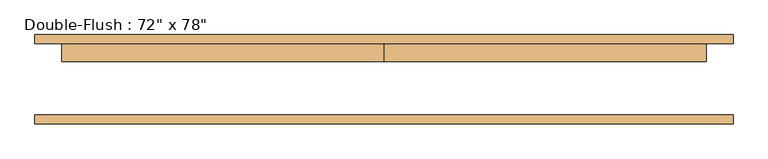
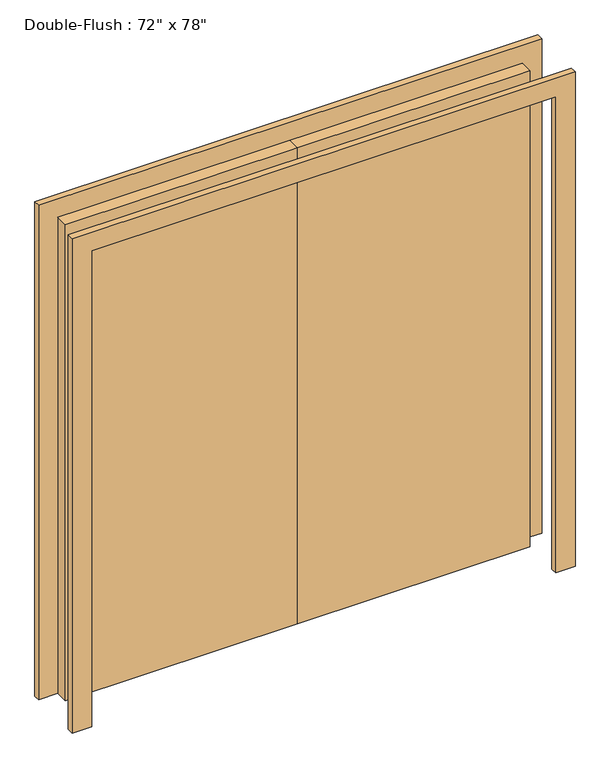
"""IFC4 building model written with IfcOpenShell, lengths in millimetres: door geometry."""

from ifc_helpers import new_model, si_unit, frame, origin, origin_with_axes, place, context, project, spatial, polyline, outline, extrude, source, transform, mapped, element, save


def door_a0f10d81(model_context):
    return source(origin(), model_context, "Body", "SweptSolid", [
        extrude(outline(polyline([(0.0, 101.6), (914.4, 101.6), (914.4, 50.8), (0.0, 50.8), (0.0, 101.6)])), origin_with_axes(), (0.0, 0.0, 1.0), 1981.2),
        extrude(outline(polyline([(-914.4, 101.6), (0.0, 101.6), (0.0, 50.8), (-914.4, 50.8), (-914.4, 101.6)])), origin_with_axes(), (0.0, 0.0, 1.0), 1981.2),
        extrude(outline(polyline([(1981.2, -914.4), (1981.2, 914.4), (0.0, 914.4), (0.0, 990.6), (2057.4, 990.6), (2057.4, -990.6), (0.0, -990.6), (0.0, -914.4), (1981.2, -914.4)])), frame((0.0, -127.0, 0.0), z_axis=(0.0, 1.0, 0.0), x_axis=(0.0, 0.0, 1.0)), (0.0, 0.0, 1.0), 25.4),
        extrude(outline(polyline([(1981.2, -914.4), (1981.2, 914.4), (0.0, 914.4), (0.0, 990.6), (2057.4, 990.6), (2057.4, -990.6), (0.0, -990.6), (0.0, -914.4), (1981.2, -914.4)])), frame((0.0, 101.6, 0.0), z_axis=(0.0, 1.0, 0.0), x_axis=(0.0, 0.0, 1.0)), (0.0, 0.0, 1.0), 25.4),
    ])


if __name__ == "__main__":
    model = new_model("IFC4")
    model_context = context("Model", 3, world=origin())
    ifc_project = project(units=[si_unit("LENGTHUNIT", "METRE", prefix="MILLI")], contexts=[model_context])
    site = spatial("IfcSite", under=ifc_project)
    building = spatial("IfcBuilding", under=site)
    placement = place(None, origin())
    door_shape = door_a0f10d81(model_context)
    element("IfcDoor", 1, ObjectType="Double-Flush : 72\" x 78\"", at=placement, inside=building, context=model_context, shape_type="MappedRepresentation", body=[
        mapped(door_shape, transform((0.0, 0.0, 0.0), x_axis=(1.0, 0.0, 0.0), y_axis=(0.0, 1.0, 0.0), z_axis=(0.0, 0.0, 1.0))),
    ])
    save(model, "model.ifc")
